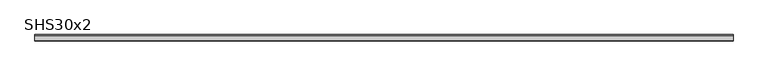
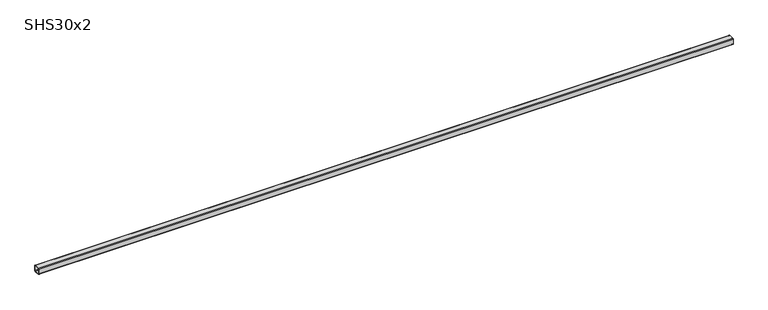
"""IFC4 building model written with IfcOpenShell, lengths in millimetres: beam geometry, SHS30x2."""

import ifcopenshell
import ifcopenshell.guid

model = None  # the IFC model being written
_history = None  # IfcOwnerHistory: only IFC2X3 demands one
_inside = {}  # id of a spatial element -> (the spatial element, [elements in it])
_under = {}  # id of a project, library or spatial element -> (it, [spatial elements below it])
_declared = {}  # id of a project -> (the project, [libraries it declares])
_typed = {}  # id of a type object -> (the type object, [elements of that type])
_made_of = {}  # id of a material, layer set ... -> (it, [elements and type objects made of it])


def new_model(schema):
    """Start an empty IFC model of exactly this schema.

    Asked for "IFC4X3", IfcOpenShell would pick the latest addendum, in which some entities
    have other attributes; the version numbers below select the first issue.
    IFC2X3 requires an IfcOwnerHistory on every rooted entity: one is made here for all.
    """
    global model, _history
    if schema == "IFC4X3":
        model = ifcopenshell.file(schema_version=(4, 3, 0, 0))
    else:
        model = ifcopenshell.file(schema=schema)
    _inside.clear()
    _under.clear()
    _declared.clear()
    _typed.clear()
    _made_of.clear()
    _history = None
    if model.schema == "IFC2X3":
        org = make("IfcOrganization", Name="unknown")
        user = make(
            "IfcPersonAndOrganization",
            ThePerson=make("IfcPerson", FamilyName="unknown"),
            TheOrganization=org,
        )
        app = make(
            "IfcApplication",
            ApplicationDeveloper=org,
            Version="unknown",
            ApplicationFullName="unknown",
            ApplicationIdentifier="unknown",
        )
        _history = make(
            "IfcOwnerHistory",
            OwningUser=user,
            OwningApplication=app,
            ChangeAction="ADDED",
            CreationDate=0,
        )
    return model


def make(cls, **values):
    """One entity of the class cls with the attributes given. An attribute that is None is left unset."""
    return model.create_entity(
        cls, **{name: value for name, value in values.items() if value is not None}
    )


def rooted(cls, **values):
    """An entity with a GlobalId (a new one), such as an element, a storey or a relation."""
    return make(cls, GlobalId=ifcopenshell.guid.new(), OwnerHistory=_history, **values)


def si_unit(unit_type, name, prefix=None):
    """IfcSIUnit, for example si_unit("LENGTHUNIT", "METRE", prefix="MILLI")."""
    return make("IfcSIUnit", UnitType=unit_type, Prefix=prefix, Name=name)


def assignment(units):
    """IfcUnitAssignment: the units of a project."""
    return None if units is None else make("IfcUnitAssignment", Units=units)


def point(xyz):
    """IfcCartesianPoint."""
    return None if xyz is None else make("IfcCartesianPoint", Coordinates=xyz)


def direction(xyz):
    """IfcDirection."""
    return None if xyz is None else make("IfcDirection", DirectionRatios=xyz)


def frame(location, z_axis=None, x_axis=None):
    """IfcAxis2Placement3D, a coordinate frame: its origin and axes. An axis left out is left unset."""
    return make(
        "IfcAxis2Placement3D",
        Location=point(location),
        Axis=direction(z_axis),
        RefDirection=direction(x_axis),
    )


def frame_2d(location, x_axis=None):
    """IfcAxis2Placement2D, a coordinate frame in the plane: its origin and x axis."""
    return make(
        "IfcAxis2Placement2D", Location=point(location), RefDirection=direction(x_axis)
    )


def origin():
    """The frame at (0, 0, 0) with its axes left unset."""
    return frame((0.0, 0.0, 0.0))


def place(relative_to, where):
    """IfcLocalPlacement: puts the frame where relative to a parent placement (None: the world)."""
    return make(
        "IfcLocalPlacement", PlacementRelTo=relative_to, RelativePlacement=where
    )


def context(
    kind, dimensions, precision=None, world=None, true_north=None, identifier=None
):
    """IfcGeometricRepresentationContext, for example the 3D "Model" context."""
    return make(
        "IfcGeometricRepresentationContext",
        ContextIdentifier=identifier,
        ContextType=kind,
        CoordinateSpaceDimension=dimensions,
        Precision=precision,
        WorldCoordinateSystem=world,
        TrueNorth=true_north,
    )


def project(units=None, contexts=None):
    """IfcProject with its units and contexts."""
    return rooted(
        "IfcProject",
        Name="project",
        RepresentationContexts=contexts,
        UnitsInContext=assignment(units),
    )


def spatial(cls, under=None, at=None, **own):
    """A site, building, storey or space (cls), placed at a placement, below another one or the project."""
    s = rooted(cls, ObjectPlacement=at, **own)
    if under is not None:
        _under.setdefault(under.id(), (under, []))[1].append(s)
    return s


def polyline(points):
    """IfcPolyline through the points."""
    return make("IfcPolyline", Points=[point(p) for p in points])


def circle_curve(where, radius):
    """IfcCircle in the frame where."""
    return make("IfcCircle", Position=where, Radius=radius)


def trimmed(basis, trim1, trim2, sense, master):
    """IfcTrimmedCurve: the piece of a basis curve between two trims."""
    return make(
        "IfcTrimmedCurve",
        BasisCurve=basis,
        Trim1=trim1,
        Trim2=trim2,
        SenseAgreement=sense,
        MasterRepresentation=master,
    )


def segment(curve, same_sense, transition):
    """IfcCompositeCurveSegment."""
    return make(
        "IfcCompositeCurveSegment",
        Transition=transition,
        SameSense=same_sense,
        ParentCurve=curve,
    )


def composite_curve(segments, self_intersect=None):
    """IfcCompositeCurve: segments joined end to end."""
    return make("IfcCompositeCurve", Segments=segments, SelfIntersect=self_intersect)


def outline(outer, holes=None, kind="AREA"):
    """IfcArbitraryClosedProfileDef: a profile drawn as a closed curve; with holes, ...WithVoids."""
    if holes is None:
        return make("IfcArbitraryClosedProfileDef", ProfileType=kind, OuterCurve=outer)
    return make(
        "IfcArbitraryProfileDefWithVoids",
        ProfileType=kind,
        OuterCurve=outer,
        InnerCurves=holes,
    )


def extrude(swept, where, along, depth):
    """IfcExtrudedAreaSolid: the profile swept, set in the frame where, extruded along a direction by depth."""
    return make(
        "IfcExtrudedAreaSolid",
        SweptArea=swept,
        Position=where,
        ExtrudedDirection=direction(along),
        Depth=depth,
    )


def shape(context_of_items, identifier, shape_type, items):
    """IfcShapeRepresentation: the items that make up one representation, for example the "Body"."""
    return make(
        "IfcShapeRepresentation",
        ContextOfItems=context_of_items,
        RepresentationIdentifier=identifier,
        RepresentationType=shape_type,
        Items=items,
    )


def source(mapping_origin, context_of_items, identifier, shape_type, items):
    """IfcRepresentationMap: a shape defined once, which mapped items show again and again."""
    return make(
        "IfcRepresentationMap",
        MappingOrigin=mapping_origin,
        MappedRepresentation=shape(context_of_items, identifier, shape_type, items),
    )


def transform(
    local_origin,
    x_axis=None,
    y_axis=None,
    z_axis=None,
    scale=None,
    scale2=None,
    scale3=None,
    uniform=True,
):
    """IfcCartesianTransformationOperator3D, or its non-uniform kind. x_axis, y_axis, z_axis: its Axis1, 2, 3."""
    if uniform:
        return make(
            "IfcCartesianTransformationOperator3D",
            Axis1=direction(x_axis),
            Axis2=direction(y_axis),
            LocalOrigin=point(local_origin),
            Scale=scale,
            Axis3=direction(z_axis),
        )
    return make(
        "IfcCartesianTransformationOperator3DnonUniform",
        Axis1=direction(x_axis),
        Axis2=direction(y_axis),
        LocalOrigin=point(local_origin),
        Scale=scale,
        Axis3=direction(z_axis),
        Scale2=scale2,
        Scale3=scale3,
    )


def mapped(mapping_source, mapping_target):
    """IfcMappedItem: shows the shape of a source again, moved by a transform."""
    return make(
        "IfcMappedItem", MappingSource=mapping_source, MappingTarget=mapping_target
    )


def made_of(thing, what):
    """Note that an element or type object is made of a material, layer set ...; save() writes the relation."""
    if what is not None:
        _made_of.setdefault(what.id(), (what, []))[1].append(thing)
    return thing


def element(
    cls,
    number,
    at=None,
    inside=None,
    cuts=None,
    type_object=None,
    material=None,
    context=None,
    identifier="Body",
    shape_type=None,
    held_by="IfcProductDefinitionShape",
    body=None,
    shapes=None,
    **own,
):
    """One element of the class cls, such as IfcWall. Its Tag is "e" and its number.

    at: its placement. inside: the storey or other place that contains it. cuts: it is an
    opening in that element (IfcRelVoidsElement). A single representation is given by context,
    identifier, shape_type and body (its items); several are given by shapes. held_by: the class
    of the entity that holds the representations. save() writes the other relations.
    """
    e = rooted(cls, Tag="e%d" % number, ObjectPlacement=at, **own)
    if body is not None:
        shapes = [shape(context, identifier, shape_type, body)]
    if shapes is not None:
        e.Representation = make(held_by, Representations=shapes)
    if inside is not None:
        _inside.setdefault(inside.id(), (inside, []))[1].append(e)
    if cuts is not None:
        rooted(
            "IfcRelVoidsElement", RelatingBuildingElement=cuts, RelatedOpeningElement=e
        )
    if type_object is not None:
        _typed.setdefault(type_object.id(), (type_object, []))[1].append(e)
    return made_of(e, material)


def aggregate(whole, parts):
    """IfcRelAggregates: a whole, such as a stair, and the parts it consists of."""
    return rooted("IfcRelAggregates", RelatingObject=whole, RelatedObjects=parts)


def save(model, path):
    """Write the relations noted so far, then the file.

    IfcRelAggregates (storeys below a building ...), IfcRelContainedInSpatialStructure (elements
    in a storey), IfcRelDefinesByType, IfcRelAssociatesMaterial and IfcRelDeclares: one each for
    every whole, place, type object, material and project.
    """
    for whole, parts in _under.values():
        aggregate(whole, parts)
    for where, things in _inside.values():
        rooted(
            "IfcRelContainedInSpatialStructure",
            RelatedElements=things,
            RelatingStructure=where,
        )
    for kind, things in _typed.values():
        rooted("IfcRelDefinesByType", RelatedObjects=things, RelatingType=kind)
    for what, things in _made_of.values():
        rooted("IfcRelAssociatesMaterial", RelatedObjects=things, RelatingMaterial=what)
    for by, libraries in _declared.values():
        rooted("IfcRelDeclares", RelatingContext=by, RelatedDefinitions=libraries)
    model.write(path)


def shs30x2_ce711725(model_context):
    return source(origin(), model_context, "Body", "SweptSolid", [
        extrude(outline(composite_curve([segment(polyline([(15.0, 11.0), (15.0, -11.0)]), True, "CONTINUOUS"), segment(trimmed(circle_curve(frame_2d((11.0, -11.0)), 4.0), [point((15.0, -11.0))], [point((11.0, -15.0))], False, "CARTESIAN"), True, "CONTINUOUS"), segment(polyline([(11.0, -15.0), (-11.0, -15.0)]), True, "CONTINUOUS"), segment(trimmed(circle_curve(frame_2d((-11.0, -11.0)), 4.0), [point((-11.0, -15.0))], [point((-15.0, -11.0))], False, "CARTESIAN"), True, "CONTINUOUS"), segment(polyline([(-15.0, -11.0), (-15.0, 11.0)]), True, "CONTINUOUS"), segment(trimmed(circle_curve(frame_2d((-11.0, 11.0)), 4.0), [point((-15.0, 11.0))], [point((-11.0, 15.0))], False, "CARTESIAN"), True, "CONTINUOUS"), segment(polyline([(-11.0, 15.0), (11.0, 15.0)]), True, "CONTINUOUS"), segment(trimmed(circle_curve(frame_2d((11.0, 11.0)), 4.0), [point((11.0, 15.0))], [point((15.0, 11.0))], False, "CARTESIAN"), True, "CONTINUOUS")], self_intersect=False), holes=[composite_curve([segment(trimmed(circle_curve(frame_2d((-11.0, 11.0)), 2.0), [point((-11.0, 13.0))], [point((-13.0, 11.0))], True, "CARTESIAN"), True, "CONTINUOUS"), segment(polyline([(-13.0, 11.0), (-13.0, -11.0)]), True, "CONTINUOUS"), segment(trimmed(circle_curve(frame_2d((-11.0, -11.0)), 2.0), [point((-13.0, -11.0))], [point((-11.0, -13.0))], True, "CARTESIAN"), True, "CONTINUOUS"), segment(polyline([(-11.0, -13.0), (11.0, -13.0)]), True, "CONTINUOUS"), segment(trimmed(circle_curve(frame_2d((11.0, -11.0)), 2.0), [point((11.0, -13.0))], [point((13.0, -11.0))], True, "CARTESIAN"), True, "CONTINUOUS"), segment(polyline([(13.0, -11.0), (13.0, 11.0)]), True, "CONTINUOUS"), segment(trimmed(circle_curve(frame_2d((11.0, 11.0)), 2.0), [point((13.0, 11.0))], [point((11.0, 13.0))], True, "CARTESIAN"), True, "CONTINUOUS"), segment(polyline([(11.0, 13.0), (-11.0, 13.0)]), True, "CONTINUOUS")], self_intersect=False)]), frame((-1664.5, 0.0, 0.0), z_axis=(1.0, 0.0, 0.0), x_axis=(0.0, 1.0, 0.0)), (0.0, 0.0, 1.0), 3192.0),
    ])


if __name__ == "__main__":
    model = new_model("IFC4")
    model_context = context("Model", 3, world=origin())
    ifc_project = project(units=[si_unit("LENGTHUNIT", "METRE", prefix="MILLI")], contexts=[model_context])
    site = spatial("IfcSite", under=ifc_project)
    building = spatial("IfcBuilding", under=site)
    placement = place(None, origin())
    shs30x2_shape = shs30x2_ce711725(model_context)
    element("IfcBeam", 1, ObjectType="SHS30x2", at=placement, inside=building, context=model_context, shape_type="MappedRepresentation", body=[
        mapped(shs30x2_shape, transform((0.0, 0.0, 0.0), x_axis=(1.0, 0.0, 0.0), y_axis=(0.0, 1.0, 0.0), z_axis=(0.0, 0.0, 1.0))),
    ])
    save(model, "model.ifc")
